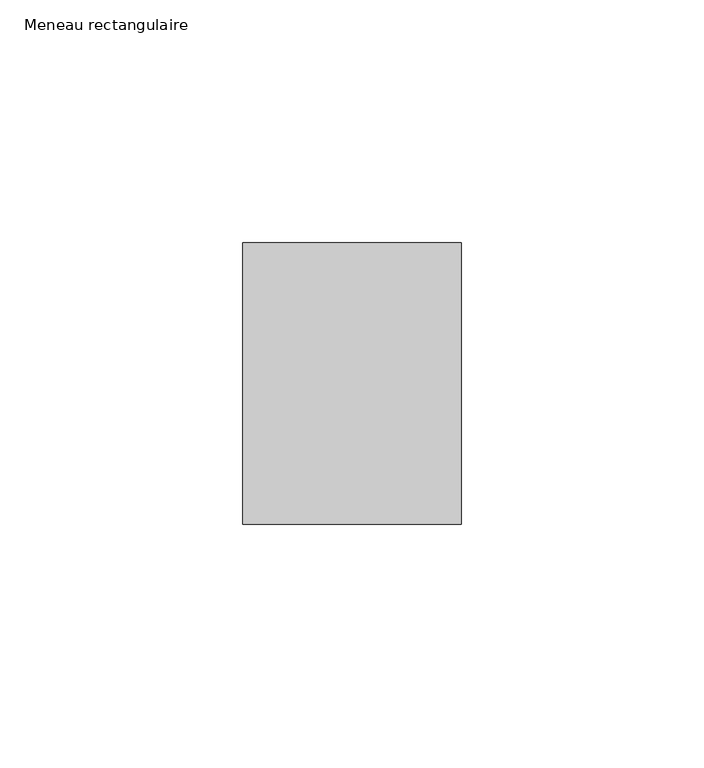
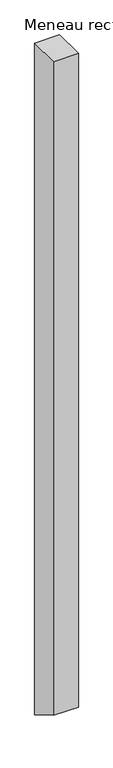
"""IFC4 building model written with IfcOpenShell, lengths in millimetres: member geometry, Meneau rectangulaire."""

from ifc_helpers import new_model, si_unit, frame, origin, place, context, project, spatial, polyline, outline, extrude, source, transform, mapped, element, save


def meneau_rectangulaire_eac38ade(model_context):
    return source(origin(), model_context, "Body", "SweptSolid", [
        extrude(outline(polyline([(-29.0, 0.0), (29.0, 0.0), (29.0, -1276.993158), (-29.0, -1243.5068423), (-29.0, 0.0)])), frame((-45.0, 0.0, 0.0), z_axis=(1.0, 0.0, 0.0), x_axis=(0.0, 1.0, 0.0)), (0.0, 0.0, 1.0), 45.0),
    ])


if __name__ == "__main__":
    model = new_model("IFC4")
    model_context = context("Model", 3, world=origin())
    ifc_project = project(units=[si_unit("LENGTHUNIT", "METRE", prefix="MILLI")], contexts=[model_context])
    site = spatial("IfcSite", under=ifc_project)
    building = spatial("IfcBuilding", under=site)
    placement = place(None, origin())
    meneau_rectangulaire_shape = meneau_rectangulaire_eac38ade(model_context)
    element("IfcMember", 1, ObjectType="Meneau rectangulaire", at=placement, inside=building, context=model_context, shape_type="MappedRepresentation", body=[
        mapped(meneau_rectangulaire_shape, transform((0.0, 0.0, 0.0), x_axis=(1.0, 0.0, 0.0), y_axis=(0.0, 1.0, 0.0), z_axis=(0.0, 0.0, 1.0))),
    ])
    save(model, "model.ifc")
